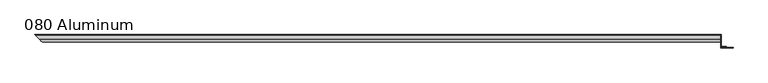
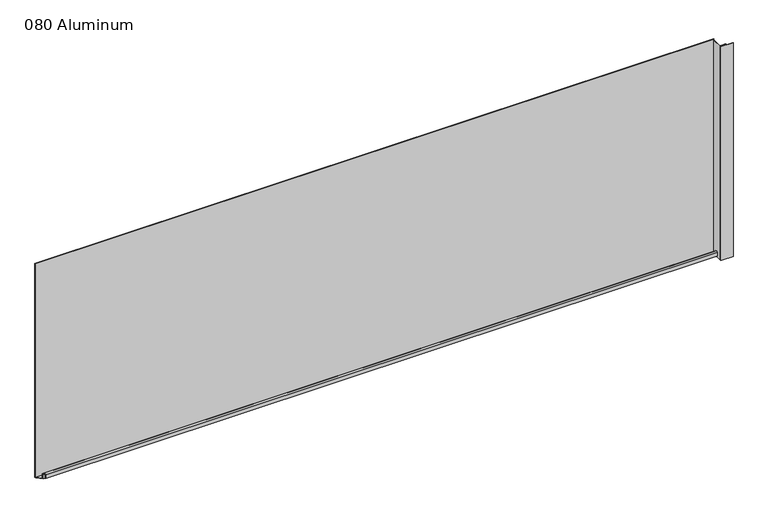
"""IFC4 building model written with IfcOpenShell, lengths in millimetres: plate geometry, 080 Aluminum."""

from ifc_helpers import new_model, si_unit, frame, origin, origin_with_axes, place, context, project, spatial, polyline, circle_curve, ellipse_curve, outline, extrude, source, transform, mapped, element, save
from ifc_brep_helpers import plane_surface, cylinder_surface, revolved_surface, advanced_brep


def plate_080_aluminum_85a4de14(model_context):
    return source(origin(), model_context, "Body", "SolidModel", [
        advanced_brep(
        [(906.1660093, 16.6765477, 13.1458337), (906.1660093, 16.6765477, 2.786437), (906.1660093, 17.9464915, 2.786437), (906.1660093, 17.9464915, 13.1323356), (906.1660093, 21.7564743, 13.124237), (906.1660093, 21.7564743, 0.0), (906.1660093, 34.7980002, 0.0), (906.1660093, 34.7980002, 1.2693678), (906.1660093, 23.0264743, 1.2693678), (906.1660093, 23.0264743, 13.124237), (-936.8125571, 16.6765477, 13.1458337), (-936.8125571, 16.6765477, 2.786437), (-938.0825008, 17.9464915, 2.786437), (-938.0825008, 17.9464915, 13.1323356), (-941.8924836, 21.7564743, 13.124237), (-941.8924836, 21.7564743, 0.0), (-954.9340093, 34.798, 0.0), (-954.9340095, 34.7980002, 1.2693678), (-943.1624836, 23.0264743, 1.2693678), (-943.1624836, 23.0264743, 13.124237)],
        [
            (0, 1),
            (1, 2),
            (2, 3),
            (3, 4, circle_curve(frame((906.1660093, 19.8514743, 13.124237), z_axis=(-1.0, 0.0, 0.0), x_axis=(0.0, 0.0, -1.0)), 1.905)),
            (4, 5),
            (5, 6),
            (6, 7),
            (7, 8),
            (8, 9),
            (9, 0, circle_curve(frame((906.1660093, 19.8514743, 13.124237), z_axis=(1.0, 0.0, 0.0), x_axis=(0.0, 0.0, -1.0)), 3.175)),
            (0, 10),
            (10, 11),
            (11, 1),
            (11, 12),
            (12, 2),
            (12, 13),
            (13, 3),
            (13, 14, ellipse_curve(frame((-939.9874836, 19.8514743, 13.124237), z_axis=(-0.7071067811865467, -0.7071067811865485, 0.0), x_axis=(0.7071067811865482, -0.7071067811865468, 0.0)), 2.6940768, 1.905)),
            (14, 4),
            (14, 15),
            (15, 5),
            (15, 16),
            (16, 6),
            (16, 17),
            (17, 7),
            (17, 18),
            (18, 8),
            (18, 19),
            (19, 9),
            (19, 10, ellipse_curve(frame((-939.9874836, 19.8514743, 13.124237), z_axis=(0.7071067811865467, 0.7071067811865485, 0.0), x_axis=(-0.7071067811865482, 0.7071067811865468, 0.0)), 4.4901281, 3.175)),
        ],
        [
            plane_surface(frame((906.1660093, 36.068, 0.0), z_axis=(1.0, 0.0, 0.0), x_axis=(0.0, 0.0, 1.0))),
            plane_surface(frame((-954.9340093, 16.6765477, 13.1458337), z_axis=(0.0, -1.0, 0.0), x_axis=(1.0, 0.0, 0.0))),
            plane_surface(frame((-954.9340093, 16.6765477, 2.786437), z_axis=(0.0, 0.0, -1.0), x_axis=(1.0, 0.0, 0.0))),
            plane_surface(frame((-954.9340093, 17.9464915, 2.786437), z_axis=(0.0, 1.0, 0.0), x_axis=(1.0, 0.0, 0.0))),
            revolved_surface(polyline([(906.1660093000002, 19.8514743, 11.219237000000001), (-941.8924836, 19.8514743, 11.219237000000001)]), (-954.9340093, 19.8514743, 13.124237), (1.0, 0.0, 0.0)),
            plane_surface(frame((-954.9340093, 21.7564743, 13.124237), z_axis=(0.0, -1.0, 0.0), x_axis=(1.0, 0.0, 0.0))),
            plane_surface(frame((-954.9340093, 21.7564743, 0.0), z_axis=(0.0, 0.0, -1.0), x_axis=(1.0, 0.0, 0.0))),
            plane_surface(frame((-954.9340093, 34.7980002, 0.0), z_axis=(0.0, 1.0, 0.0), x_axis=(1.0, 0.0, 0.0))),
            plane_surface(frame((-954.9340093, 34.7980002, 1.2693678), z_axis=(0.0, 0.0, 1.0), x_axis=(1.0, 0.0, 0.0))),
            plane_surface(frame((-954.9340093, 23.0264743, 1.2693678), z_axis=(0.0, 1.0, 0.0), x_axis=(1.0, 0.0, 0.0))),
            cylinder_surface(frame((-954.9340093, 19.8514743, 13.124237), z_axis=(-1.0, 0.0, 0.0), x_axis=(0.0, 0.0, -1.0)), 3.175),
            plane_surface(frame((-956.2040093, 36.068, 795.4549971), z_axis=(-0.7071067811865467, -0.7071067811865485, 0.0), x_axis=(0.0, 0.0, -1.0))),
        ],
        [
            (0, [[1, 2, 3, 4, 5, 6, 7, 8, 9, 10]]),
            (1, [[11, 12, 13, -1]]),
            (2, [[-13, 14, 15, -2]]),
            (3, [[-15, 16, 17, -3]]),
            (4, [[-17, 18, 19, -4]]),
            (5, [[-19, 20, 21, -5]]),
            (6, [[-21, 22, 23, -6]]),
            (7, [[-23, 24, 25, -7]]),
            (8, [[-25, 26, 27, -8]]),
            (9, [[-27, 28, 29, -9]]),
            (10, [[-29, 30, -11, -10]]),
            (11, [[-30, -28, -26, -24, -22, -20, -18, -16, -14, -12]]),
        ],
    ),
        extrude(outline(polyline([(907.4360093, 34.7980001), (-954.9340094, 34.7980001), (-956.2040093, 36.068), (907.4360093, 36.068), (907.4360093, 34.7980001)])), origin_with_axes(), (0.0, 0.0, 1.0), 622.3),
        extrude(outline(polyline([(907.4360093, 1.2699999), (939.948095, 1.2699999), (939.948095, 0.0), (906.1660094, 0.0), (906.1660094, 34.7980002), (907.4360093, 34.7980002), (907.4360093, 1.2699999)])), origin_with_axes(), (0.0, 0.0, 1.0), 621.03),
        extrude(outline(polyline([(906.1660093, 3.3274743), (921.9140093, 3.3274743), (921.9140093, 2.0574743), (906.1660093, 2.0574743), (906.1660093, 3.3274743)])), origin_with_axes(), (0.0, 0.0, 1.0), 622.3),
    ])


if __name__ == "__main__":
    model = new_model("IFC4")
    model_context = context("Model", 3, world=origin())
    ifc_project = project(units=[si_unit("LENGTHUNIT", "METRE", prefix="MILLI")], contexts=[model_context])
    site = spatial("IfcSite", under=ifc_project)
    building = spatial("IfcBuilding", under=site)
    placement = place(None, origin())
    plate_080_aluminum_shape = plate_080_aluminum_85a4de14(model_context)
    element("IfcPlate", 1, ObjectType="080 Aluminum", at=placement, inside=building, context=model_context, shape_type="MappedRepresentation", body=[
        mapped(plate_080_aluminum_shape, transform((0.0, 0.0, 0.0), x_axis=(1.0, 0.0, 0.0), y_axis=(0.0, 1.0, 0.0), z_axis=(0.0, 0.0, 1.0))),
    ])
    save(model, "model.ifc")
